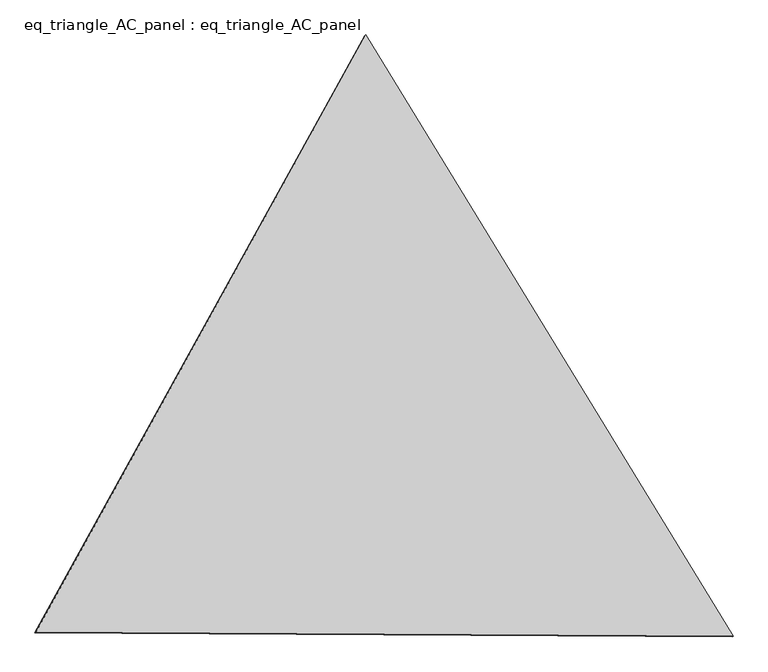
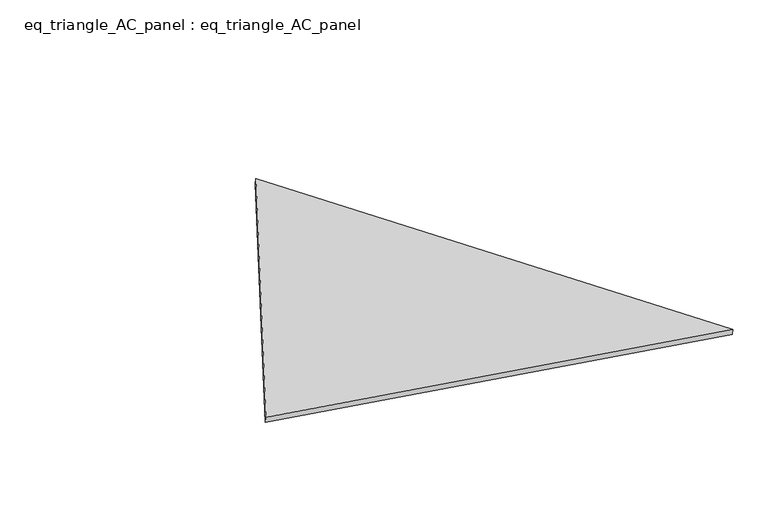
"""IFC4 building model written with IfcOpenShell, lengths in millimetres: proxy geometry, eq_triangle_AC_panel : eq_triangle_AC_panel."""

from ifc_helpers import new_model, si_unit, frame, origin, place, context, project, spatial, polyline, outline, extrude, source, transform, mapped, element, save


def eq_triangle_ac_panel_eq_triangle_ac_panel_a250011d(model_context):
    return source(origin(), model_context, "Body", "SweptSolid", [
        extrude(outline(polyline([(-2032.8306629, 1173.1700195), (2091.2842302, 1173.1700195), (-58.4535674, -2346.3400392), (-2032.8306629, 1173.1700195)])), frame((-6.3631761, 524.2531996, 46.6143561), z_axis=(0.14526328518058168, 0.08386570281802191, 0.9858321976225894), x_axis=(0.5211103640699141, -0.8534790669542212, -0.0041798002193440716)), (0.0, 0.0, 1.0), 43.8306294),
    ])


if __name__ == "__main__":
    model = new_model("IFC4")
    model_context = context("Model", 3, world=origin())
    ifc_project = project(units=[si_unit("LENGTHUNIT", "METRE", prefix="MILLI")], contexts=[model_context])
    site = spatial("IfcSite", under=ifc_project)
    building = spatial("IfcBuilding", under=site)
    placement = place(None, origin())
    eq_triangle_ac_panel_eq_triangle_ac_panel_shape = eq_triangle_ac_panel_eq_triangle_ac_panel_a250011d(model_context)
    element("IfcBuildingElementProxy", 1, Name="eq_triangle_AC_panel : eq_triangle_AC_panel", ObjectType="eq_triangle_AC_panel : eq_triangle_AC_panel", at=placement, inside=building, context=model_context, shape_type="MappedRepresentation", body=[
        mapped(eq_triangle_ac_panel_eq_triangle_ac_panel_shape, transform((0.0, 0.0, 0.0), x_axis=(1.0, 0.0, 0.0), y_axis=(0.0, 1.0, 0.0), z_axis=(0.0, 0.0, 1.0))),
    ])
    save(model, "model.ifc")
